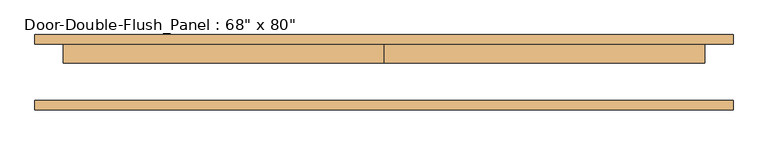
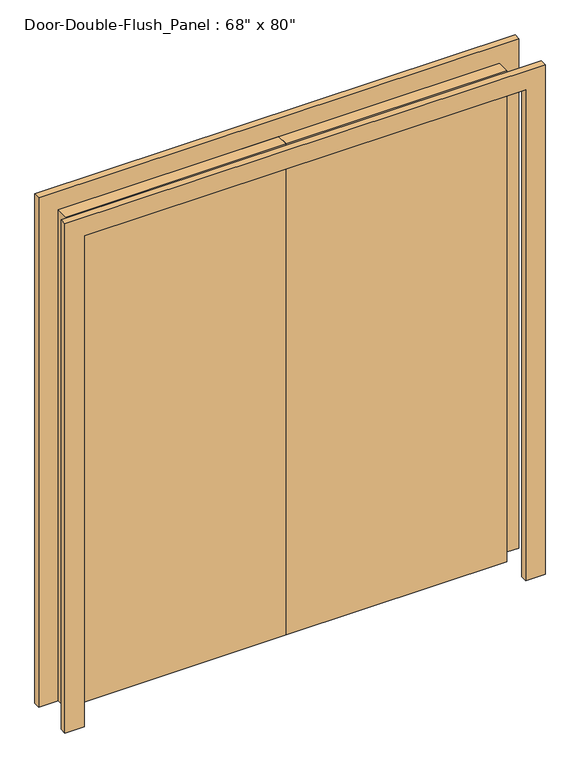
"""IFC4 building model written with IfcOpenShell, lengths in millimetres: door geometry."""

import ifcopenshell
import ifcopenshell.guid

model = None  # the IFC model being written
_history = None  # IfcOwnerHistory: only IFC2X3 demands one
_inside = {}  # id of a spatial element -> (the spatial element, [elements in it])
_under = {}  # id of a project, library or spatial element -> (it, [spatial elements below it])
_declared = {}  # id of a project -> (the project, [libraries it declares])
_typed = {}  # id of a type object -> (the type object, [elements of that type])
_made_of = {}  # id of a material, layer set ... -> (it, [elements and type objects made of it])


def new_model(schema):
    """Start an empty IFC model of exactly this schema.

    Asked for "IFC4X3", IfcOpenShell would pick the latest addendum, in which some entities
    have other attributes; the version numbers below select the first issue.
    IFC2X3 requires an IfcOwnerHistory on every rooted entity: one is made here for all.
    """
    global model, _history
    if schema == "IFC4X3":
        model = ifcopenshell.file(schema_version=(4, 3, 0, 0))
    else:
        model = ifcopenshell.file(schema=schema)
    _inside.clear()
    _under.clear()
    _declared.clear()
    _typed.clear()
    _made_of.clear()
    _history = None
    if model.schema == "IFC2X3":
        org = make("IfcOrganization", Name="unknown")
        user = make(
            "IfcPersonAndOrganization",
            ThePerson=make("IfcPerson", FamilyName="unknown"),
            TheOrganization=org,
        )
        app = make(
            "IfcApplication",
            ApplicationDeveloper=org,
            Version="unknown",
            ApplicationFullName="unknown",
            ApplicationIdentifier="unknown",
        )
        _history = make(
            "IfcOwnerHistory",
            OwningUser=user,
            OwningApplication=app,
            ChangeAction="ADDED",
            CreationDate=0,
        )
    return model


def make(cls, **values):
    """One entity of the class cls with the attributes given. An attribute that is None is left unset."""
    return model.create_entity(
        cls, **{name: value for name, value in values.items() if value is not None}
    )


def rooted(cls, **values):
    """An entity with a GlobalId (a new one), such as an element, a storey or a relation."""
    return make(cls, GlobalId=ifcopenshell.guid.new(), OwnerHistory=_history, **values)


def si_unit(unit_type, name, prefix=None):
    """IfcSIUnit, for example si_unit("LENGTHUNIT", "METRE", prefix="MILLI")."""
    return make("IfcSIUnit", UnitType=unit_type, Prefix=prefix, Name=name)


def assignment(units):
    """IfcUnitAssignment: the units of a project."""
    return None if units is None else make("IfcUnitAssignment", Units=units)


def point(xyz):
    """IfcCartesianPoint."""
    return None if xyz is None else make("IfcCartesianPoint", Coordinates=xyz)


def direction(xyz):
    """IfcDirection."""
    return None if xyz is None else make("IfcDirection", DirectionRatios=xyz)


def frame(location, z_axis=None, x_axis=None):
    """IfcAxis2Placement3D, a coordinate frame: its origin and axes. An axis left out is left unset."""
    return make(
        "IfcAxis2Placement3D",
        Location=point(location),
        Axis=direction(z_axis),
        RefDirection=direction(x_axis),
    )


def origin():
    """The frame at (0, 0, 0) with its axes left unset."""
    return frame((0.0, 0.0, 0.0))


def origin_with_axes():
    """The frame at (0, 0, 0) with the z axis (0, 0, 1) and the x axis (1, 0, 0) written out."""
    return frame((0.0, 0.0, 0.0), z_axis=(0.0, 0.0, 1.0), x_axis=(1.0, 0.0, 0.0))


def place(relative_to, where):
    """IfcLocalPlacement: puts the frame where relative to a parent placement (None: the world)."""
    return make(
        "IfcLocalPlacement", PlacementRelTo=relative_to, RelativePlacement=where
    )


def context(
    kind, dimensions, precision=None, world=None, true_north=None, identifier=None
):
    """IfcGeometricRepresentationContext, for example the 3D "Model" context."""
    return make(
        "IfcGeometricRepresentationContext",
        ContextIdentifier=identifier,
        ContextType=kind,
        CoordinateSpaceDimension=dimensions,
        Precision=precision,
        WorldCoordinateSystem=world,
        TrueNorth=true_north,
    )


def project(units=None, contexts=None):
    """IfcProject with its units and contexts."""
    return rooted(
        "IfcProject",
        Name="project",
        RepresentationContexts=contexts,
        UnitsInContext=assignment(units),
    )


def spatial(cls, under=None, at=None, **own):
    """A site, building, storey or space (cls), placed at a placement, below another one or the project."""
    s = rooted(cls, ObjectPlacement=at, **own)
    if under is not None:
        _under.setdefault(under.id(), (under, []))[1].append(s)
    return s


def polyline(points):
    """IfcPolyline through the points."""
    return make("IfcPolyline", Points=[point(p) for p in points])


def outline(outer, holes=None, kind="AREA"):
    """IfcArbitraryClosedProfileDef: a profile drawn as a closed curve; with holes, ...WithVoids."""
    if holes is None:
        return make("IfcArbitraryClosedProfileDef", ProfileType=kind, OuterCurve=outer)
    return make(
        "IfcArbitraryProfileDefWithVoids",
        ProfileType=kind,
        OuterCurve=outer,
        InnerCurves=holes,
    )


def extrude(swept, where, along, depth):
    """IfcExtrudedAreaSolid: the profile swept, set in the frame where, extruded along a direction by depth."""
    return make(
        "IfcExtrudedAreaSolid",
        SweptArea=swept,
        Position=where,
        ExtrudedDirection=direction(along),
        Depth=depth,
    )


def shape(context_of_items, identifier, shape_type, items):
    """IfcShapeRepresentation: the items that make up one representation, for example the "Body"."""
    return make(
        "IfcShapeRepresentation",
        ContextOfItems=context_of_items,
        RepresentationIdentifier=identifier,
        RepresentationType=shape_type,
        Items=items,
    )


def source(mapping_origin, context_of_items, identifier, shape_type, items):
    """IfcRepresentationMap: a shape defined once, which mapped items show again and again."""
    return make(
        "IfcRepresentationMap",
        MappingOrigin=mapping_origin,
        MappedRepresentation=shape(context_of_items, identifier, shape_type, items),
    )


def transform(
    local_origin,
    x_axis=None,
    y_axis=None,
    z_axis=None,
    scale=None,
    scale2=None,
    scale3=None,
    uniform=True,
):
    """IfcCartesianTransformationOperator3D, or its non-uniform kind. x_axis, y_axis, z_axis: its Axis1, 2, 3."""
    if uniform:
        return make(
            "IfcCartesianTransformationOperator3D",
            Axis1=direction(x_axis),
            Axis2=direction(y_axis),
            LocalOrigin=point(local_origin),
            Scale=scale,
            Axis3=direction(z_axis),
        )
    return make(
        "IfcCartesianTransformationOperator3DnonUniform",
        Axis1=direction(x_axis),
        Axis2=direction(y_axis),
        LocalOrigin=point(local_origin),
        Scale=scale,
        Axis3=direction(z_axis),
        Scale2=scale2,
        Scale3=scale3,
    )


def mapped(mapping_source, mapping_target):
    """IfcMappedItem: shows the shape of a source again, moved by a transform."""
    return make(
        "IfcMappedItem", MappingSource=mapping_source, MappingTarget=mapping_target
    )


def made_of(thing, what):
    """Note that an element or type object is made of a material, layer set ...; save() writes the relation."""
    if what is not None:
        _made_of.setdefault(what.id(), (what, []))[1].append(thing)
    return thing


def element(
    cls,
    number,
    at=None,
    inside=None,
    cuts=None,
    type_object=None,
    material=None,
    context=None,
    identifier="Body",
    shape_type=None,
    held_by="IfcProductDefinitionShape",
    body=None,
    shapes=None,
    **own,
):
    """One element of the class cls, such as IfcWall. Its Tag is "e" and its number.

    at: its placement. inside: the storey or other place that contains it. cuts: it is an
    opening in that element (IfcRelVoidsElement). A single representation is given by context,
    identifier, shape_type and body (its items); several are given by shapes. held_by: the class
    of the entity that holds the representations. save() writes the other relations.
    """
    e = rooted(cls, Tag="e%d" % number, ObjectPlacement=at, **own)
    if body is not None:
        shapes = [shape(context, identifier, shape_type, body)]
    if shapes is not None:
        e.Representation = make(held_by, Representations=shapes)
    if inside is not None:
        _inside.setdefault(inside.id(), (inside, []))[1].append(e)
    if cuts is not None:
        rooted(
            "IfcRelVoidsElement", RelatingBuildingElement=cuts, RelatedOpeningElement=e
        )
    if type_object is not None:
        _typed.setdefault(type_object.id(), (type_object, []))[1].append(e)
    return made_of(e, material)


def aggregate(whole, parts):
    """IfcRelAggregates: a whole, such as a stair, and the parts it consists of."""
    return rooted("IfcRelAggregates", RelatingObject=whole, RelatedObjects=parts)


def save(model, path):
    """Write the relations noted so far, then the file.

    IfcRelAggregates (storeys below a building ...), IfcRelContainedInSpatialStructure (elements
    in a storey), IfcRelDefinesByType, IfcRelAssociatesMaterial and IfcRelDeclares: one each for
    every whole, place, type object, material and project.
    """
    for whole, parts in _under.values():
        aggregate(whole, parts)
    for where, things in _inside.values():
        rooted(
            "IfcRelContainedInSpatialStructure",
            RelatedElements=things,
            RelatingStructure=where,
        )
    for kind, things in _typed.values():
        rooted("IfcRelDefinesByType", RelatedObjects=things, RelatingType=kind)
    for what, things in _made_of.values():
        rooted("IfcRelAssociatesMaterial", RelatedObjects=things, RelatingMaterial=what)
    for by, libraries in _declared.values():
        rooted("IfcRelDeclares", RelatingContext=by, RelatedDefinitions=libraries)
    model.write(path)


def door_74777eb6(model_context):
    return source(origin(), model_context, "Body", "SweptSolid", [
        extrude(outline(polyline([(2032.0, -863.6), (2032.0, 863.6), (0.0, 863.6), (0.0, 939.8), (2108.2, 939.8), (2108.2, -939.8), (0.0, -939.8), (0.0, -863.6), (2032.0, -863.6)])), frame((0.0, -101.6, 0.0), z_axis=(0.0, 1.0, 0.0), x_axis=(0.0, 0.0, 1.0)), (0.0, 0.0, 1.0), 25.4),
        extrude(outline(polyline([(2032.0, -863.6), (2032.0, 863.6), (0.0, 863.6), (0.0, 939.8), (2108.2, 939.8), (2108.2, -939.8), (0.0, -939.8), (0.0, -863.6), (2032.0, -863.6)])), frame((0.0, 76.2, 0.0), z_axis=(0.0, 1.0, 0.0), x_axis=(0.0, 0.0, 1.0)), (0.0, 0.0, 1.0), 25.4),
        extrude(outline(polyline([(0.0, 76.2), (863.6, 76.2), (863.6, 25.4), (0.0, 25.4), (0.0, 76.2)])), origin_with_axes(), (0.0, 0.0, 1.0), 2032.0),
        extrude(outline(polyline([(-863.6, 76.2), (0.0, 76.2), (0.0, 25.4), (-863.6, 25.4), (-863.6, 76.2)])), origin_with_axes(), (0.0, 0.0, 1.0), 2032.0),
    ])


if __name__ == "__main__":
    model = new_model("IFC4")
    model_context = context("Model", 3, world=origin())
    ifc_project = project(units=[si_unit("LENGTHUNIT", "METRE", prefix="MILLI")], contexts=[model_context])
    site = spatial("IfcSite", under=ifc_project)
    building = spatial("IfcBuilding", under=site)
    placement = place(None, origin())
    door_shape = door_74777eb6(model_context)
    element("IfcDoor", 1, ObjectType="Door-Double-Flush_Panel : 68\" x 80\"", at=placement, inside=building, context=model_context, shape_type="MappedRepresentation", body=[
        mapped(door_shape, transform((0.0, 0.0, 0.0), x_axis=(1.0, 0.0, 0.0), y_axis=(0.0, 1.0, 0.0), z_axis=(0.0, 0.0, 1.0))),
    ])
    save(model, "model.ifc")
